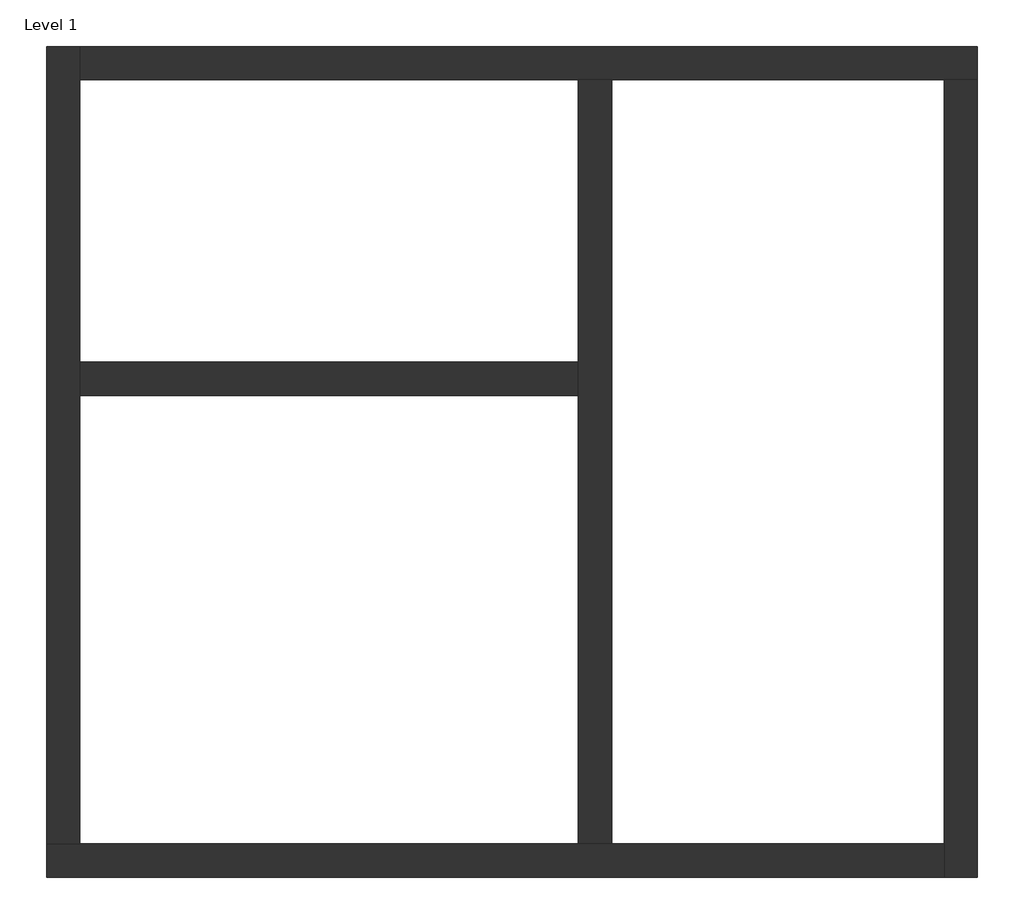
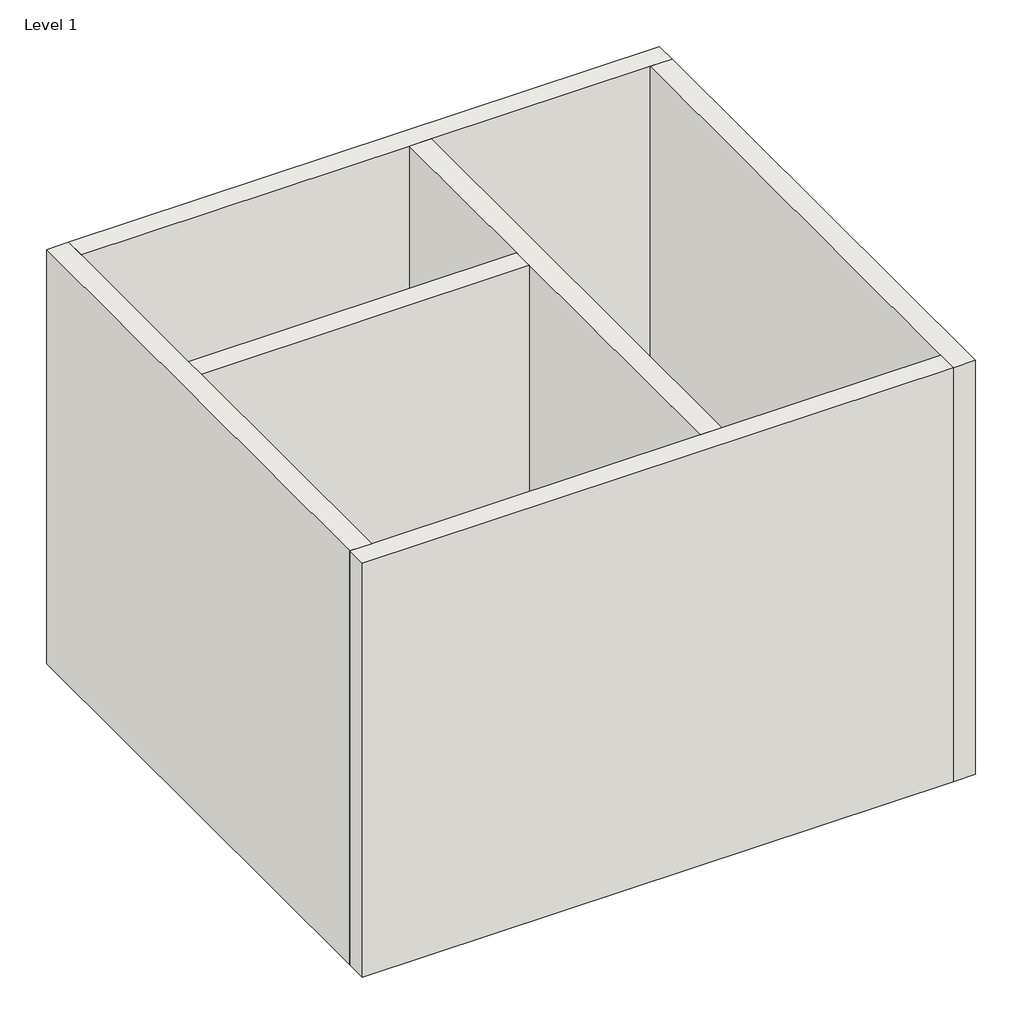
# One storey: 6 walls.
"""IFC4 building model written with IfcOpenShell, lengths in millimetres."""

from ifc_helpers import new_model, si_unit, origin, origin_with_axes, place, context, project, spatial, polyline, outline, extrude, faceted_brep, element, save

model = new_model("IFC4")

# Units and contexts
model_context = context("Model", 3, world=origin())
ifc_project = project(units=[si_unit("LENGTHUNIT", "METRE", prefix="MILLI")], contexts=[model_context])

# Site, building, storey
site = spatial("IfcSite", under=ifc_project)
building = spatial("IfcBuilding", under=site)
storey = spatial("IfcBuildingStorey", under=building, Name="Level 1", Elevation=0.0)

# Walls
placement = place(None, origin())
element("IfcWall", 1, ObjectType="Wall 1", at=placement, inside=storey, context=model_context, shape_type="SweptSolid", body=[
    extrude(outline(polyline([(4804.1158537, 3908.3079268), (1804.1158537, 3908.3079268), (1804.1158537, 4108.3079268), (4804.1158537, 4108.3079268), (4804.1158537, 3908.3079268)])), origin_with_axes(), (0.0, 0.0, 1.0), 4000.0),
])
element("IfcWall", 2, ObjectType="Wall 1", at=placement, inside=storey, context=model_context, shape_type="Brep", body=[
    faceted_brep([(4804.1158537, 5808.3079268, 0.0), (4804.1158537, 4108.3079268, 0.0), (4804.1158537, 3908.3079268, 0.0), (4804.1158537, 1208.3079268, 0.0), (4804.1158537, 1208.3079268, 4000.0), (4804.1158537, 3908.3079268, 4000.0), (4804.1158537, 4108.3079268, 4000.0), (4804.1158537, 5808.3079268, 4000.0), (5004.1158537, 5808.3079268, 0.0), (5004.1158537, 5808.3079268, 4000.0), (5004.1158537, 1208.3079268, 4000.0), (5004.1158537, 1208.3079268, 0.0)], [[[0, 1, 2, 3, 4, 5, 6, 7]], [[8, 9, 10, 11]], [[3, 2, 1, 0, 8, 11]], [[7, 6, 5, 4, 10, 9]], [[4, 3, 11, 10]], [[0, 7, 9, 8]]]),
])
element("IfcWall", 3, ObjectType="Wall 1", at=placement, inside=storey, context=model_context, shape_type="Brep", body=[
    faceted_brep([(7004.1158537, 1208.3079268, 0.0), (5004.1158537, 1208.3079268, 0.0), (4804.1158537, 1208.3079268, 0.0), (1804.1158537, 1208.3079268, 0.0), (1604.1158537, 1208.3079268, 0.0), (1604.1158537, 1208.3079268, 4000.0), (1804.1158537, 1208.3079268, 4000.0), (4804.1158537, 1208.3079268, 4000.0), (5004.1158537, 1208.3079268, 4000.0), (7004.1158537, 1208.3079268, 4000.0), (7004.1158537, 1008.3079268, 0.0), (7004.1158537, 1008.3079268, 4000.0), (1604.1158537, 1008.3079268, 4000.0), (1604.1158537, 1008.3079268, 0.0)], [[[0, 1, 2, 3, 4, 5, 6, 7, 8, 9]], [[10, 11, 12, 13]], [[4, 3, 2, 1, 0, 10, 13]], [[9, 8, 7, 6, 5, 12, 11]], [[5, 4, 13, 12]], [[0, 9, 11, 10]]]),
])
element("IfcWall", 4, ObjectType="Wall 1", at=placement, inside=storey, context=model_context, shape_type="Brep", body=[
    faceted_brep([(1804.1158537, 1208.3079268, 0.0), (1804.1158537, 3908.3079268, 0.0), (1804.1158537, 4108.3079268, 0.0), (1804.1158537, 5808.3079268, 0.0), (1804.1158537, 6008.3079268, 0.0), (1804.1158537, 6008.3079268, 4000.0), (1804.1158537, 5808.3079268, 4000.0), (1804.1158537, 4108.3079268, 4000.0), (1804.1158537, 3908.3079268, 4000.0), (1804.1158537, 1208.3079268, 4000.0), (1604.1158537, 1208.3079268, 0.0), (1604.1158537, 1208.3079268, 4000.0), (1604.1158537, 6008.3079268, 4000.0), (1604.1158537, 6008.3079268, 0.0)], [[[0, 1, 2, 3, 4, 5, 6, 7, 8, 9]], [[10, 11, 12, 13]], [[4, 3, 2, 1, 0, 10, 13]], [[9, 8, 7, 6, 5, 12, 11]], [[0, 9, 11, 10]], [[5, 4, 13, 12]]]),
])
element("IfcWall", 5, ObjectType="Wall 1", at=placement, inside=storey, context=model_context, shape_type="Brep", body=[
    faceted_brep([(1804.1158537, 5808.3079268, 0.0), (4804.1158537, 5808.3079268, 0.0), (5004.1158537, 5808.3079268, 0.0), (7004.1158537, 5808.3079268, 0.0), (7204.1158537, 5808.3079268, 0.0), (7204.1158537, 5808.3079268, 4000.0), (7004.1158537, 5808.3079268, 4000.0), (5004.1158537, 5808.3079268, 4000.0), (4804.1158537, 5808.3079268, 4000.0), (1804.1158537, 5808.3079268, 4000.0), (1804.1158537, 6008.3079268, 0.0), (1804.1158537, 6008.3079268, 4000.0), (7204.1158537, 6008.3079268, 4000.0), (7204.1158537, 6008.3079268, 0.0)], [[[0, 1, 2, 3, 4, 5, 6, 7, 8, 9]], [[10, 11, 12, 13]], [[4, 3, 2, 1, 0, 10, 13]], [[9, 8, 7, 6, 5, 12, 11]], [[0, 9, 11, 10]], [[5, 4, 13, 12]]]),
])
element("IfcWall", 6, ObjectType="Wall 1", at=placement, inside=storey, context=model_context, shape_type="Brep", body=[
    faceted_brep([(7004.1158537, 5808.3079268, 0.0), (7004.1158537, 1208.3079268, 0.0), (7004.1158537, 1008.3079268, 0.0), (7004.1158537, 1008.3079268, 4000.0), (7004.1158537, 1208.3079268, 4000.0), (7004.1158537, 5808.3079268, 4000.0), (7204.1158537, 5808.3079268, 0.0), (7204.1158537, 5808.3079268, 4000.0), (7204.1158537, 1008.3079268, 4000.0), (7204.1158537, 1008.3079268, 0.0)], [[[0, 1, 2, 3, 4, 5]], [[6, 7, 8, 9]], [[2, 1, 0, 6, 9]], [[5, 4, 3, 8, 7]], [[0, 5, 7, 6]], [[3, 2, 9, 8]]]),
])

save(model, "model.ifc")
